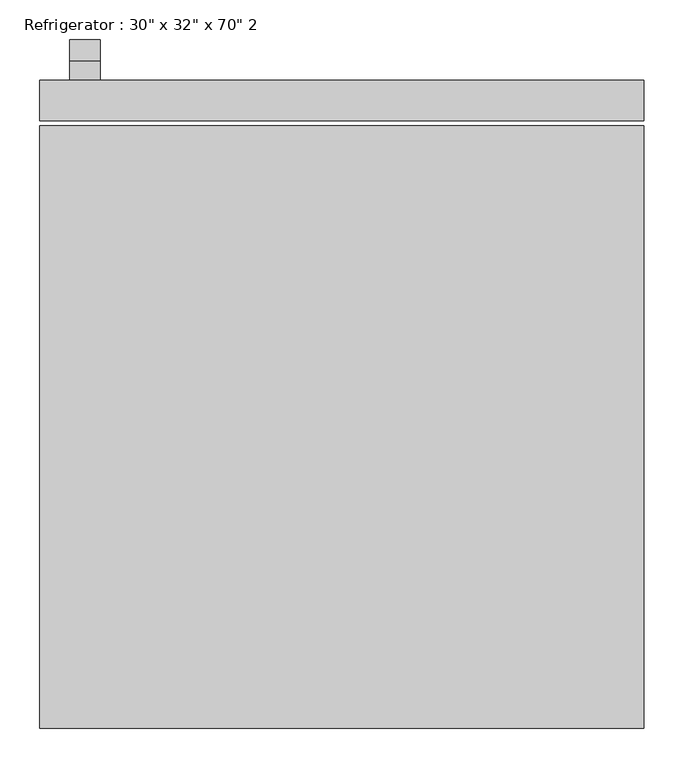
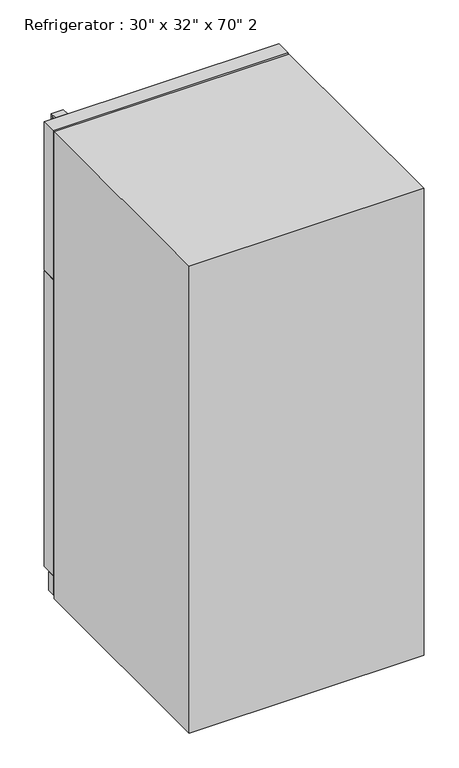
"""IFC4 building model written with IfcOpenShell, lengths in millimetres: proxy geometry."""

from ifc_helpers import new_model, si_unit, frame, origin, origin_with_axes, place, context, project, spatial, polyline, outline, extrude, source, transform, mapped, element, save


def proxy_1f8814a4(model_context):
    return source(origin(), model_context, "Body", "SweptSolid", [
        extrude(outline(polyline([(422.6635285, 1084.2625), (422.6635285, 1090.6125), (473.4635285, 1090.6125), (473.4635285, 887.4125), (445.5574512, 488.3370017), (422.6635285, 488.3370017), (422.6635285, 494.6715334), (439.6348987, 494.6715334), (467.1135285, 887.6342469), (467.1135285, 1084.2625), (422.6635285, 1084.2625)])), frame((-342.9, 0.0, 0.0), z_axis=(1.0, 0.0, 0.0), x_axis=(0.0, 1.0, 0.0)), (0.0, 0.0, 1.0), 38.4332978),
        extrude(outline(polyline([(447.501913, 1600.2), (474.0418675, 1093.7875), (423.4405855, 1093.7875), (423.4405855, 1100.1375), (468.1632207, 1100.1375), (442.2888449, 1593.85), (423.4405855, 1593.85), (423.4405855, 1600.2), (447.501913, 1600.2)])), frame((-342.9, 0.0, 0.0), z_axis=(1.0, 0.0, 0.0), x_axis=(0.0, 1.0, 0.0)), (0.0, 0.0, 1.0), 38.4332978),
        extrude(outline(polyline([(381.0, 371.8635285), (-381.0, 371.8635285), (-381.0, 397.2635285), (381.0, 397.2635285), (381.0, 371.8635285)])), frame((0.0, 0.0, 9.3816357), z_axis=(0.0, 0.0, 1.0), x_axis=(1.0, 0.0, 0.0)), (0.0, 0.0, 1.0), 63.5),
        extrude(outline(polyline([(381.0, 371.8635285), (-381.0, 371.8635285), (-381.0, 422.6635285), (381.0, 422.6635285), (381.0, 371.8635285)])), frame((0.0, 0.0, 76.2), z_axis=(0.0, 0.0, 1.0), x_axis=(1.0, 0.0, 0.0)), (0.0, 0.0, 1.0), 1014.4125),
        extrude(outline(polyline([(381.0, 371.8635285), (-381.0, 371.8635285), (-381.0, 422.6635285), (381.0, 422.6635285), (381.0, 371.8635285)])), frame((0.0, 0.0, 1093.7875), z_axis=(0.0, 0.0, 1.0), x_axis=(1.0, 0.0, 0.0)), (0.0, 0.0, 1.0), 506.4125),
        extrude(outline(polyline([(381.0, -393.3114715), (-381.0, -393.3114715), (-381.0, 365.5135285), (381.0, 365.5135285), (381.0, -393.3114715)])), origin_with_axes(), (0.0, 0.0, 1.0), 1600.2),
    ])


if __name__ == "__main__":
    model = new_model("IFC4")
    model_context = context("Model", 3, world=origin())
    ifc_project = project(units=[si_unit("LENGTHUNIT", "METRE", prefix="MILLI")], contexts=[model_context])
    site = spatial("IfcSite", under=ifc_project)
    building = spatial("IfcBuilding", under=site)
    placement = place(None, origin())
    proxy_shape = proxy_1f8814a4(model_context)
    element("IfcBuildingElementProxy", 1, Name="Refrigerator : 30\" x 32\" x 70\" 2", ObjectType="Refrigerator : 30\" x 32\" x 70\" 2", at=placement, inside=building, context=model_context, shape_type="MappedRepresentation", body=[
        mapped(proxy_shape, transform((0.0, 0.0, 0.0), x_axis=(1.0, 0.0, 0.0), y_axis=(0.0, 1.0, 0.0), z_axis=(0.0, 0.0, 1.0))),
    ])
    save(model, "model.ifc")
